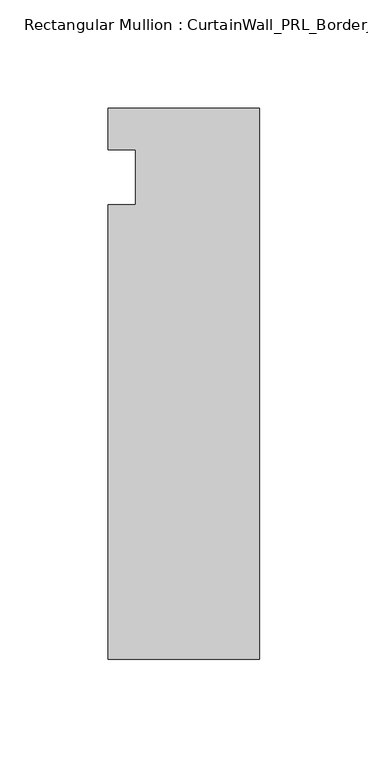
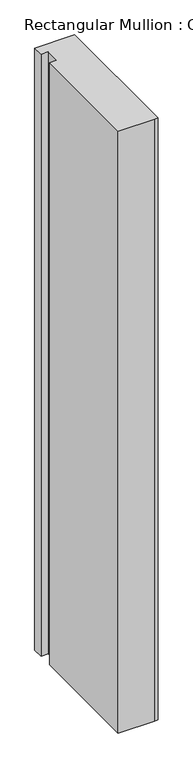
"""IFC4 building model written with IfcOpenShell, lengths in millimetres: member geometry, Rectangular Mullion : CurtainWall_PRL_BorderJamb_1002 Reverse."""

from ifc_helpers import new_model, si_unit, frame, origin, place, context, project, spatial, polyline, outline, extrude, source, transform, mapped, element, save


def rectangular_mullion_curtainwall_prl_borderjamb_1002_reverse_085caeb7(model_context):
    return source(origin(), model_context, "Body", "SweptSolid", [
        extrude(outline(polyline([(-57.15, -12.7), (-57.15, 12.7), (-69.85, 12.7), (-69.85, 31.75), (-7.3958824, 31.75), (0.0, 31.75), (0.0, -222.25), (-6.35, -222.25), (-69.85, -222.25), (-69.85, -12.7), (-57.15, -12.7)])), frame((0.0, 0.0, -1117.6), z_axis=(0.0, 0.0, 1.0), x_axis=(1.0, 0.0, 0.0)), (0.0, 0.0, 1.0), 1117.6),
    ])


if __name__ == "__main__":
    model = new_model("IFC4")
    model_context = context("Model", 3, world=origin())
    ifc_project = project(units=[si_unit("LENGTHUNIT", "METRE", prefix="MILLI")], contexts=[model_context])
    site = spatial("IfcSite", under=ifc_project)
    building = spatial("IfcBuilding", under=site)
    placement = place(None, origin())
    rectangular_mullion_curtainwall_prl_borderjamb_1002_reverse_shape = rectangular_mullion_curtainwall_prl_borderjamb_1002_reverse_085caeb7(model_context)
    element("IfcMember", 1, ObjectType="Rectangular Mullion : CurtainWall_PRL_BorderJamb_1002 Reverse", at=placement, inside=building, context=model_context, shape_type="MappedRepresentation", body=[
        mapped(rectangular_mullion_curtainwall_prl_borderjamb_1002_reverse_shape, transform((0.0, 0.0, 0.0), x_axis=(1.0, 0.0, 0.0), y_axis=(0.0, 1.0, 0.0), z_axis=(0.0, 0.0, 1.0))),
    ])
    save(model, "model.ifc")
